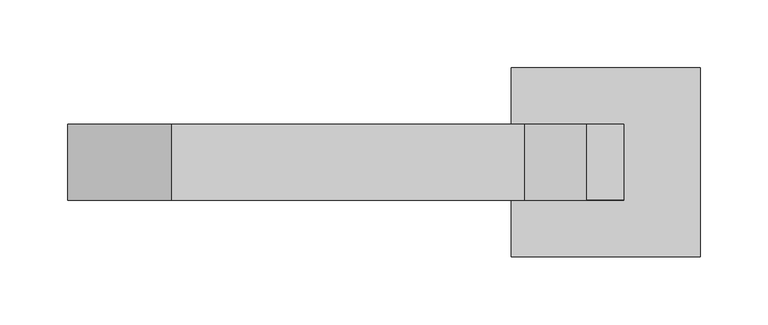
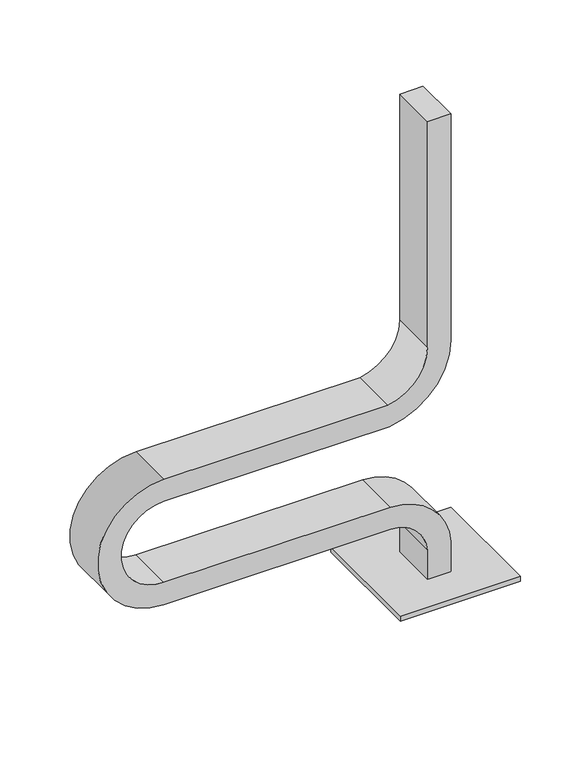
"""IFC4 building model written with IfcOpenShell, lengths in millimetres: furniture geometry."""

from ifc_helpers import new_model, si_unit, point, frame, frame_2d, origin, origin_with_axes, place, context, project, spatial, polyline, circle_curve, trimmed, segment, composite_curve, outline, extrude, source, transform, mapped, element, save
from ifc_brep_helpers import plane_surface, cylinder_surface, revolved_surface, advanced_brep


def furniture_176c4568(model_context):
    return source(origin(), model_context, "Body", "SolidModel", [
        extrude(outline(composite_curve([segment(trimmed(circle_curve(frame_2d((463.6014244, 58.0553319)), 4.978544), [point((458.6228804, 58.0553319))], [point((468.5799684, 58.0553319))], False, "CARTESIAN"), True, "CONTINUOUS"), segment(trimmed(circle_curve(frame_2d((463.6014244, 58.0553319)), 4.978544), [point((468.5799684, 58.0553319))], [point((458.6228804, 58.0553319))], False, "CARTESIAN"), True, "CONTINUOUS")], self_intersect=False)), origin_with_axes(), (0.0, 0.0, 1.0), 5.0),
        extrude(outline(composite_curve([segment(trimmed(circle_curve(frame_2d((579.5288601, 58.0553319)), 4.978544), [point((574.5503161, 58.0553319))], [point((584.5074041, 58.0553319))], False, "CARTESIAN"), True, "CONTINUOUS"), segment(trimmed(circle_curve(frame_2d((579.5288601, 58.0553319)), 4.978544), [point((584.5074041, 58.0553319))], [point((574.5503161, 58.0553319))], False, "CARTESIAN"), True, "CONTINUOUS")], self_intersect=False)), origin_with_axes(), (0.0, 0.0, 1.0), 5.0),
        extrude(outline(composite_curve([segment(trimmed(circle_curve(frame_2d((463.6014244, -58.0553319)), 4.978544), [point((458.6228804, -58.0553319))], [point((468.5799684, -58.0553319))], False, "CARTESIAN"), True, "CONTINUOUS"), segment(trimmed(circle_curve(frame_2d((463.6014244, -58.0553319)), 4.978544), [point((468.5799684, -58.0553319))], [point((458.6228804, -58.0553319))], False, "CARTESIAN"), True, "CONTINUOUS")], self_intersect=False)), origin_with_axes(), (0.0, 0.0, 1.0), 5.0),
        extrude(outline(composite_curve([segment(trimmed(circle_curve(frame_2d((579.5288601, -58.0553319)), 4.978544), [point((574.5503161, -58.0553319))], [point((584.5074041, -58.0553319))], False, "CARTESIAN"), True, "CONTINUOUS"), segment(trimmed(circle_curve(frame_2d((579.5288601, -58.0553319)), 4.978544), [point((584.5074041, -58.0553319))], [point((574.5503161, -58.0553319))], False, "CARTESIAN"), True, "CONTINUOUS")], self_intersect=False)), origin_with_axes(), (0.0, 0.0, 1.0), 5.0),
        extrude(outline(polyline([(591.5651422, 70.0), (591.5651422, -70.0), (451.5651422, -70.0), (451.5651422, 70.0), (591.5651422, 70.0)])), frame((0.0, 0.0, 5.0), z_axis=(0.0, 0.0, 1.0), x_axis=(1.0, 0.0, 0.0)), (0.0, 0.0, 1.0), 6.0),
        advanced_brep(
        [(507.4659827, -27.9558153, 11.0), (507.4659827, 27.9558153, 11.0), (534.6579846, 27.9558153, 11.0), (534.6579846, -27.9558153, 11.0), (507.4659827, -27.9558153, 47.0524338), (507.4659827, 27.9558153, 47.0524338), (534.6579846, 27.9558153, 47.8147532), (534.6579846, -27.9558153, 47.8147532), (464.287774, 27.9558153, 87.9015784), (464.287774, -27.9558153, 87.9015784), (464.513913, -27.9558153, 115.0926399), (464.513913, 27.9558153, 115.0926399), (200.0, -27.9558153, 87.9010908), (200.0, 27.9558153, 87.9010908), (200.0, 27.9558153, 115.0930927), (200.0, -27.9558153, 115.0930927), (200.0, 27.9558153, 242.0989092), (200.0, -27.9558153, 242.0989092), (200.0, -27.9558153, 214.9069073), (200.0, 27.9558153, 214.9069073), (461.0306629, -27.9558153, 242.0989092), (461.0306629, 27.9558153, 242.0989092), (463.0352709, 27.9558153, 214.9069073), (463.0352709, -27.9558153, 214.9069073), (507.4662451, 27.9558153, 296.4787195), (507.4662451, -27.9558153, 296.4787195), (534.6577283, 27.9558153, 296.3107738), (507.4659762, 27.9558153, 575.0), (534.6579781, 27.9558153, 575.0), (534.6577283, -27.9558153, 296.3107738), (534.6579781, -27.9558153, 575.0), (507.4659762, -27.9558153, 575.0)],
        [
            (0, 1),
            (1, 2),
            (2, 3),
            (3, 0),
            (0, 4),
            (4, 5),
            (5, 1),
            (2, 6),
            (6, 7),
            (7, 3),
            (8, 5, circle_curve(frame((463.9249333, 27.9558153, 44.2734439), z_axis=(0.0, 1.0, 0.0), x_axis=(0.9984653379141396, 0.0, 0.055380221956967894)), 43.6296433)),
            (4, 9, circle_curve(frame((463.9249333, -27.9558153, 44.2734439), z_axis=(0.0, -1.0, 0.0), x_axis=(0.9984653379141396, 0.0, 0.055380221956967894)), 43.6296433)),
            (9, 8),
            (10, 7, circle_curve(frame((463.9249333, -27.9558153, 44.2734439), z_axis=(0.0, 1.0, 0.0), x_axis=(0.9984653379141396, 0.0, 0.055380221956967894)), 70.8216452)),
            (6, 11, circle_curve(frame((463.9249333, 27.9558153, 44.2734439), z_axis=(0.0, -1.0, 0.0), x_axis=(0.9984653379141396, 0.0, 0.055380221956967894)), 70.8216452)),
            (11, 10),
            (9, 12),
            (12, 13),
            (13, 8),
            (11, 14),
            (14, 15),
            (15, 10),
            (16, 13, circle_curve(frame((200.0, 27.9558153, 165.0), z_axis=(0.0, -1.0, 0.0), x_axis=(0.0, 0.0, -1.0)), 77.0989092)),
            (12, 17, circle_curve(frame((200.0, -27.9558153, 165.0), z_axis=(0.0, 1.0, 0.0), x_axis=(0.0, 0.0, -1.0)), 77.0989092)),
            (17, 16),
            (18, 15, circle_curve(frame((200.0, -27.9558153, 165.0), z_axis=(0.0, -1.0, 0.0), x_axis=(0.0, 0.0, -1.0)), 49.9069073)),
            (14, 19, circle_curve(frame((200.0, 27.9558153, 165.0), z_axis=(0.0, 1.0, 0.0), x_axis=(0.0, 0.0, -1.0)), 49.9069073)),
            (19, 18),
            (17, 20),
            (20, 21),
            (21, 16),
            (19, 22),
            (22, 23),
            (23, 18),
            (24, 21, circle_curve(frame((452.0057332, 27.9558153, 296.8212662), z_axis=(0.0, 1.0, 0.0), x_axis=(0.14539904125884984, 0.0, -0.9893730938331643)), 55.4615697)),
            (20, 25, circle_curve(frame((452.0057332, -27.9558153, 296.8212662), z_axis=(0.0, -1.0, 0.0), x_axis=(0.14539904125884984, 0.0, -0.9893730938331643)), 55.4615697)),
            (25, 24),
            (26, 22, circle_curve(frame((452.0057332, 27.9558153, 296.8212662), z_axis=(0.0, 1.0, 0.0), x_axis=(0.14539904125884984, 0.0, -0.9893730938331643)), 82.6535716)),
            (24, 27),
            (27, 28),
            (28, 26),
            (29, 23, circle_curve(frame((452.0057332, -27.9558153, 296.8212662), z_axis=(0.0, 1.0, 0.0), x_axis=(0.14539904125884984, 0.0, -0.9893730938331643)), 82.6535716)),
            (26, 29),
            (29, 30),
            (30, 31),
            (31, 25),
            (30, 28),
            (27, 31),
        ],
        [
            plane_surface(frame((521.5648919, 0.0, 11.0), z_axis=(0.0, 0.0, -1.0), x_axis=(0.0, -1.0, 0.0))),
            plane_surface(frame((507.4659827, -27.9558153, 11.0), z_axis=(-1.0, 0.0, 0.0), x_axis=(0.0, 0.0, 1.0))),
            plane_surface(frame((534.6579846, 27.9558153, 11.0), z_axis=(1.0, 0.0, 0.0), x_axis=(0.0, 0.0, 1.0))),
            revolved_surface(polyline([(507.4876198406079, -27.9558153, 46.68966322985733), (507.4876198406079, 27.9558153, 46.68966322985733)]), (463.9249333, 0.0, 44.2734439), (0.0, -1.0, 0.0)),
            cylinder_surface(frame((463.9249333, 0.0, 44.2734439), z_axis=(0.0, -1.0, 0.0), x_axis=(0.9984653379141396, 0.0, 0.055380221956967894)), 70.8216452),
            plane_surface(frame((464.2877699, -27.9558153, 87.9010908), z_axis=(0.0, 0.0, -1.0), x_axis=(-1.0, 0.0, 0.0))),
            plane_surface(frame((464.5139168, 27.9558153, 115.0930927), z_axis=(0.0, 0.0, 1.0), x_axis=(-1.0, 0.0, 0.0))),
            cylinder_surface(frame((200.0, 0.0, 165.0), z_axis=(0.0, 1.0, 0.0), x_axis=(0.0, 0.0, -1.0)), 77.0989092),
            revolved_surface(polyline([(200.0, 27.9558153, 115.0930927), (200.0, -27.9558153, 115.0930927)]), (200.0, 0.0, 165.0), (0.0, 1.0, 0.0)),
            plane_surface(frame((200.0, -27.9558153, 242.0989092), z_axis=(0.0, 0.0, 1.0), x_axis=(1.0, 0.0, 0.0))),
            plane_surface(frame((200.0, 27.9558153, 214.9069073), z_axis=(0.0, 0.0, -1.0), x_axis=(1.0, 0.0, 0.0))),
            revolved_surface(polyline([(460.06979226109087, -27.9558153, 241.94908139706735), (460.06979226109087, 27.9558153, 241.94908139706735)]), (452.0057332, 0.0, 296.8212662), (0.0, -1.0, 0.0)),
            plane_surface(frame((452.0057332, 27.9558153, 296.8212662), z_axis=(0.0, 1.0, 0.0), x_axis=(0.14539904125884984, 0.0, -0.9893730938331643))),
            cylinder_surface(frame((452.0057332, 0.0, 296.8212662), z_axis=(0.0, -1.0, 0.0), x_axis=(0.14539904125884984, 0.0, -0.9893730938331643)), 82.6535716),
            plane_surface(frame((452.0057332, -27.9558153, 296.8212662), z_axis=(0.0, -1.0, 0.0), x_axis=(0.14539904125884984, 0.0, -0.9893730938331643))),
            plane_surface(frame((521.5648854, 0.0, 575.0), z_axis=(0.0, 0.0, 1.0), x_axis=(0.0, -1.0, 0.0))),
            plane_surface(frame((507.4659762, -27.9558153, 296.4787211), z_axis=(-1.0, 0.0, 0.0), x_axis=(0.0, 0.0, 1.0))),
            plane_surface(frame((534.6579781, 27.9558153, 296.3107723), z_axis=(1.0, 0.0, 0.0), x_axis=(0.0, 0.0, 1.0))),
        ],
        [
            (0, [[1, 2, 3, 4]]),
            (1, [[-1, 5, 6, 7]]),
            (2, [[-3, 8, 9, 10]]),
            (3, [[11, -6, 12, 13]]),
            (4, [[14, -9, 15, 16]]),
            (5, [[-13, 17, 18, 19]]),
            (6, [[-16, 20, 21, 22]]),
            (7, [[23, -18, 24, 25]]),
            (8, [[26, -21, 27, 28]]),
            (9, [[-25, 29, 30, 31]]),
            (10, [[-28, 32, 33, 34]]),
            (11, [[35, -30, 36, 37]]),
            (12, [[38, -32, -27, -20, -15, -8, -2, -7, -11, -19, -23, -31, -35, 39, 40, 41]]),
            (13, [[42, -33, -38, 43]]),
            (14, [[-36, -29, -24, -17, -12, -5, -4, -10, -14, -22, -26, -34, -42, 44, 45, 46]]),
            (15, [[-45, 47, -40, 48]]),
            (16, [[-37, -46, -48, -39]]),
            (17, [[-43, -41, -47, -44]]),
        ],
    ),
    ])


if __name__ == "__main__":
    model = new_model("IFC4")
    model_context = context("Model", 3, world=origin())
    ifc_project = project(units=[si_unit("LENGTHUNIT", "METRE", prefix="MILLI")], contexts=[model_context])
    site = spatial("IfcSite", under=ifc_project)
    building = spatial("IfcBuilding", under=site)
    placement = place(None, origin())
    furniture_shape = furniture_176c4568(model_context)
    element("IfcFurniture", 1, at=placement, inside=building, context=model_context, shape_type="MappedRepresentation", body=[
        mapped(furniture_shape, transform((0.0, 0.0, 0.0), x_axis=(1.0, 0.0, 0.0), y_axis=(0.0, 1.0, 0.0), z_axis=(0.0, 0.0, 1.0))),
    ])
    save(model, "model.ifc")
